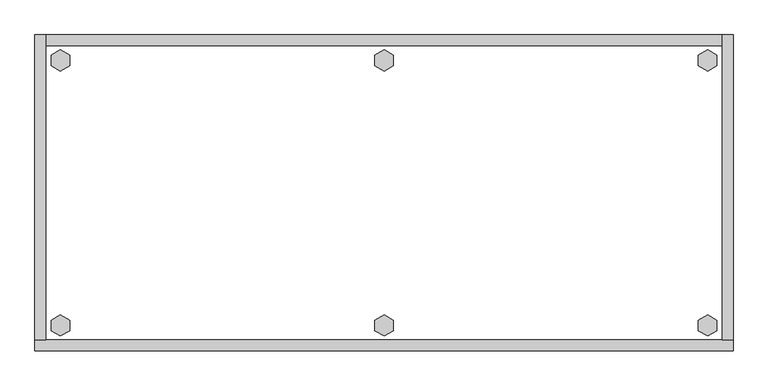
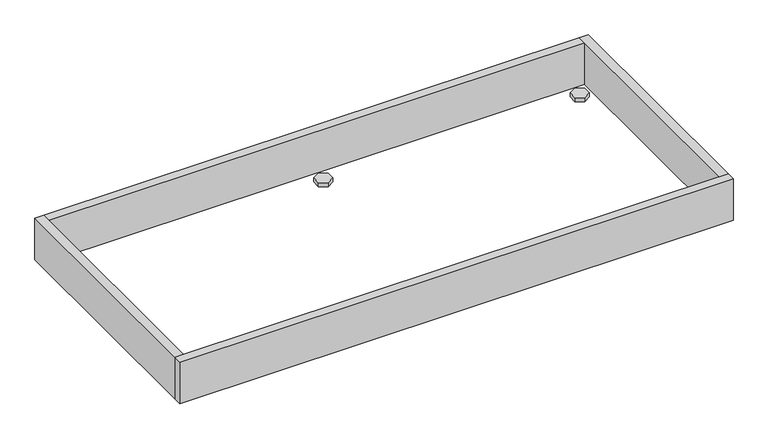
"""IFC4 building model written with IfcOpenShell, lengths in millimetres: furniture geometry."""

import ifcopenshell
import ifcopenshell.guid

model = None  # the IFC model being written
_history = None  # IfcOwnerHistory: only IFC2X3 demands one
_inside = {}  # id of a spatial element -> (the spatial element, [elements in it])
_under = {}  # id of a project, library or spatial element -> (it, [spatial elements below it])
_declared = {}  # id of a project -> (the project, [libraries it declares])
_typed = {}  # id of a type object -> (the type object, [elements of that type])
_made_of = {}  # id of a material, layer set ... -> (it, [elements and type objects made of it])


def new_model(schema):
    """Start an empty IFC model of exactly this schema.

    Asked for "IFC4X3", IfcOpenShell would pick the latest addendum, in which some entities
    have other attributes; the version numbers below select the first issue.
    IFC2X3 requires an IfcOwnerHistory on every rooted entity: one is made here for all.
    """
    global model, _history
    if schema == "IFC4X3":
        model = ifcopenshell.file(schema_version=(4, 3, 0, 0))
    else:
        model = ifcopenshell.file(schema=schema)
    _inside.clear()
    _under.clear()
    _declared.clear()
    _typed.clear()
    _made_of.clear()
    _history = None
    if model.schema == "IFC2X3":
        org = make("IfcOrganization", Name="unknown")
        user = make(
            "IfcPersonAndOrganization",
            ThePerson=make("IfcPerson", FamilyName="unknown"),
            TheOrganization=org,
        )
        app = make(
            "IfcApplication",
            ApplicationDeveloper=org,
            Version="unknown",
            ApplicationFullName="unknown",
            ApplicationIdentifier="unknown",
        )
        _history = make(
            "IfcOwnerHistory",
            OwningUser=user,
            OwningApplication=app,
            ChangeAction="ADDED",
            CreationDate=0,
        )
    return model


def make(cls, **values):
    """One entity of the class cls with the attributes given. An attribute that is None is left unset."""
    return model.create_entity(
        cls, **{name: value for name, value in values.items() if value is not None}
    )


def rooted(cls, **values):
    """An entity with a GlobalId (a new one), such as an element, a storey or a relation."""
    return make(cls, GlobalId=ifcopenshell.guid.new(), OwnerHistory=_history, **values)


def si_unit(unit_type, name, prefix=None):
    """IfcSIUnit, for example si_unit("LENGTHUNIT", "METRE", prefix="MILLI")."""
    return make("IfcSIUnit", UnitType=unit_type, Prefix=prefix, Name=name)


def assignment(units):
    """IfcUnitAssignment: the units of a project."""
    return None if units is None else make("IfcUnitAssignment", Units=units)


def point(xyz):
    """IfcCartesianPoint."""
    return None if xyz is None else make("IfcCartesianPoint", Coordinates=xyz)


def direction(xyz):
    """IfcDirection."""
    return None if xyz is None else make("IfcDirection", DirectionRatios=xyz)


def frame(location, z_axis=None, x_axis=None):
    """IfcAxis2Placement3D, a coordinate frame: its origin and axes. An axis left out is left unset."""
    return make(
        "IfcAxis2Placement3D",
        Location=point(location),
        Axis=direction(z_axis),
        RefDirection=direction(x_axis),
    )


def origin():
    """The frame at (0, 0, 0) with its axes left unset."""
    return frame((0.0, 0.0, 0.0))


def origin_with_axes():
    """The frame at (0, 0, 0) with the z axis (0, 0, 1) and the x axis (1, 0, 0) written out."""
    return frame((0.0, 0.0, 0.0), z_axis=(0.0, 0.0, 1.0), x_axis=(1.0, 0.0, 0.0))


def place(relative_to, where):
    """IfcLocalPlacement: puts the frame where relative to a parent placement (None: the world)."""
    return make(
        "IfcLocalPlacement", PlacementRelTo=relative_to, RelativePlacement=where
    )


def context(
    kind, dimensions, precision=None, world=None, true_north=None, identifier=None
):
    """IfcGeometricRepresentationContext, for example the 3D "Model" context."""
    return make(
        "IfcGeometricRepresentationContext",
        ContextIdentifier=identifier,
        ContextType=kind,
        CoordinateSpaceDimension=dimensions,
        Precision=precision,
        WorldCoordinateSystem=world,
        TrueNorth=true_north,
    )


def project(units=None, contexts=None):
    """IfcProject with its units and contexts."""
    return rooted(
        "IfcProject",
        Name="project",
        RepresentationContexts=contexts,
        UnitsInContext=assignment(units),
    )


def spatial(cls, under=None, at=None, **own):
    """A site, building, storey or space (cls), placed at a placement, below another one or the project."""
    s = rooted(cls, ObjectPlacement=at, **own)
    if under is not None:
        _under.setdefault(under.id(), (under, []))[1].append(s)
    return s


def polyline(points):
    """IfcPolyline through the points."""
    return make("IfcPolyline", Points=[point(p) for p in points])


def outline(outer, holes=None, kind="AREA"):
    """IfcArbitraryClosedProfileDef: a profile drawn as a closed curve; with holes, ...WithVoids."""
    if holes is None:
        return make("IfcArbitraryClosedProfileDef", ProfileType=kind, OuterCurve=outer)
    return make(
        "IfcArbitraryProfileDefWithVoids",
        ProfileType=kind,
        OuterCurve=outer,
        InnerCurves=holes,
    )


def extrude(swept, where, along, depth):
    """IfcExtrudedAreaSolid: the profile swept, set in the frame where, extruded along a direction by depth."""
    return make(
        "IfcExtrudedAreaSolid",
        SweptArea=swept,
        Position=where,
        ExtrudedDirection=direction(along),
        Depth=depth,
    )


def shape(context_of_items, identifier, shape_type, items):
    """IfcShapeRepresentation: the items that make up one representation, for example the "Body"."""
    return make(
        "IfcShapeRepresentation",
        ContextOfItems=context_of_items,
        RepresentationIdentifier=identifier,
        RepresentationType=shape_type,
        Items=items,
    )


def source(mapping_origin, context_of_items, identifier, shape_type, items):
    """IfcRepresentationMap: a shape defined once, which mapped items show again and again."""
    return make(
        "IfcRepresentationMap",
        MappingOrigin=mapping_origin,
        MappedRepresentation=shape(context_of_items, identifier, shape_type, items),
    )


def transform(
    local_origin,
    x_axis=None,
    y_axis=None,
    z_axis=None,
    scale=None,
    scale2=None,
    scale3=None,
    uniform=True,
):
    """IfcCartesianTransformationOperator3D, or its non-uniform kind. x_axis, y_axis, z_axis: its Axis1, 2, 3."""
    if uniform:
        return make(
            "IfcCartesianTransformationOperator3D",
            Axis1=direction(x_axis),
            Axis2=direction(y_axis),
            LocalOrigin=point(local_origin),
            Scale=scale,
            Axis3=direction(z_axis),
        )
    return make(
        "IfcCartesianTransformationOperator3DnonUniform",
        Axis1=direction(x_axis),
        Axis2=direction(y_axis),
        LocalOrigin=point(local_origin),
        Scale=scale,
        Axis3=direction(z_axis),
        Scale2=scale2,
        Scale3=scale3,
    )


def mapped(mapping_source, mapping_target):
    """IfcMappedItem: shows the shape of a source again, moved by a transform."""
    return make(
        "IfcMappedItem", MappingSource=mapping_source, MappingTarget=mapping_target
    )


def made_of(thing, what):
    """Note that an element or type object is made of a material, layer set ...; save() writes the relation."""
    if what is not None:
        _made_of.setdefault(what.id(), (what, []))[1].append(thing)
    return thing


def element(
    cls,
    number,
    at=None,
    inside=None,
    cuts=None,
    type_object=None,
    material=None,
    context=None,
    identifier="Body",
    shape_type=None,
    held_by="IfcProductDefinitionShape",
    body=None,
    shapes=None,
    **own,
):
    """One element of the class cls, such as IfcWall. Its Tag is "e" and its number.

    at: its placement. inside: the storey or other place that contains it. cuts: it is an
    opening in that element (IfcRelVoidsElement). A single representation is given by context,
    identifier, shape_type and body (its items); several are given by shapes. held_by: the class
    of the entity that holds the representations. save() writes the other relations.
    """
    e = rooted(cls, Tag="e%d" % number, ObjectPlacement=at, **own)
    if body is not None:
        shapes = [shape(context, identifier, shape_type, body)]
    if shapes is not None:
        e.Representation = make(held_by, Representations=shapes)
    if inside is not None:
        _inside.setdefault(inside.id(), (inside, []))[1].append(e)
    if cuts is not None:
        rooted(
            "IfcRelVoidsElement", RelatingBuildingElement=cuts, RelatedOpeningElement=e
        )
    if type_object is not None:
        _typed.setdefault(type_object.id(), (type_object, []))[1].append(e)
    return made_of(e, material)


def aggregate(whole, parts):
    """IfcRelAggregates: a whole, such as a stair, and the parts it consists of."""
    return rooted("IfcRelAggregates", RelatingObject=whole, RelatedObjects=parts)


def save(model, path):
    """Write the relations noted so far, then the file.

    IfcRelAggregates (storeys below a building ...), IfcRelContainedInSpatialStructure (elements
    in a storey), IfcRelDefinesByType, IfcRelAssociatesMaterial and IfcRelDeclares: one each for
    every whole, place, type object, material and project.
    """
    for whole, parts in _under.values():
        aggregate(whole, parts)
    for where, things in _inside.values():
        rooted(
            "IfcRelContainedInSpatialStructure",
            RelatedElements=things,
            RelatingStructure=where,
        )
    for kind, things in _typed.values():
        rooted("IfcRelDefinesByType", RelatedObjects=things, RelatingType=kind)
    for what, things in _made_of.values():
        rooted("IfcRelAssociatesMaterial", RelatedObjects=things, RelatingMaterial=what)
    for by, libraries in _declared.values():
        rooted("IfcRelDeclares", RelatingContext=by, RelatedDefinitions=libraries)
    model.write(path)


def furniture_ceff2c2c(model_context):
    return source(origin(), model_context, "Body", "SweptSolid", [
        extrude(outline(polyline([(1158.5735422, -498.8179), (1174.5214, -489.6104), (1190.4692578, -498.8179), (1190.4692578, -517.2329), (1174.5214, -526.4404), (1158.5735422, -517.2329), (1158.5735422, -498.8179)])), origin_with_axes(), (0.0, 0.0, 1.0), 9.144),
        extrude(outline(polyline([(1158.5735422, -35.4711), (1174.5214, -26.2636), (1190.4692578, -35.4711), (1190.4692578, -53.8861), (1174.5214, -63.0936), (1158.5735422, -53.8861), (1158.5735422, -35.4711)])), origin_with_axes(), (0.0, 0.0, 1.0), 9.144),
        extrude(outline(polyline([(593.6521422, -498.8179), (609.6, -489.6104), (625.5478578, -498.8179), (625.5478578, -517.2329), (609.6, -526.4404), (593.6521422, -517.2329), (593.6521422, -498.8179)])), origin_with_axes(), (0.0, 0.0, 1.0), 9.144),
        extrude(outline(polyline([(593.6521422, -35.4711), (609.6, -26.2636), (625.5478578, -35.4711), (625.5478578, -53.8861), (609.6, -63.0936), (593.6521422, -53.8861), (593.6521422, -35.4711)])), origin_with_axes(), (0.0, 0.0, 1.0), 9.144),
        extrude(outline(polyline([(28.7307422, -498.8179), (44.6786, -489.6104), (60.6264578, -498.8179), (60.6264578, -517.2329), (44.6786, -526.4404), (28.7307422, -517.2329), (28.7307422, -498.8179)])), origin_with_axes(), (0.0, 0.0, 1.0), 9.144),
        extrude(outline(polyline([(28.7307422, -35.4711), (44.6786, -26.2636), (60.6264578, -35.4711), (60.6264578, -53.8861), (44.6786, -63.0936), (28.7307422, -53.8861), (28.7307422, -35.4711)])), origin_with_axes(), (0.0, 0.0, 1.0), 9.144),
        extrude(outline(polyline([(19.304, 0.0), (19.304, -533.4), (0.0, -533.4), (0.0, 0.0), (19.304, 0.0)])), frame((0.0, 0.0, 4.699), z_axis=(0.0, 0.0, 1.0), x_axis=(1.0, 0.0, 0.0)), (0.0, 0.0, 1.0), 96.901),
        extrude(outline(polyline([(1219.2, 0.0), (1219.2, -533.4), (1199.896, -533.4), (1199.896, 0.0), (1219.2, 0.0)])), frame((0.0, 0.0, 4.699), z_axis=(0.0, 0.0, 1.0), x_axis=(1.0, 0.0, 0.0)), (0.0, 0.0, 1.0), 96.901),
        extrude(outline(polyline([(1199.896, -19.304), (19.304, -19.304), (19.304, 0.0), (1199.896, 0.0), (1199.896, -19.304)])), frame((0.0, 0.0, 4.699), z_axis=(0.0, 0.0, 1.0), x_axis=(1.0, 0.0, 0.0)), (0.0, 0.0, 1.0), 96.901),
        extrude(outline(polyline([(1219.2, -533.4), (1219.2, -552.704), (0.0, -552.704), (0.0, -533.4), (1219.2, -533.4)])), frame((0.0, 0.0, 4.699), z_axis=(0.0, 0.0, 1.0), x_axis=(1.0, 0.0, 0.0)), (0.0, 0.0, 1.0), 96.901),
    ])


if __name__ == "__main__":
    model = new_model("IFC4")
    model_context = context("Model", 3, world=origin())
    ifc_project = project(units=[si_unit("LENGTHUNIT", "METRE", prefix="MILLI")], contexts=[model_context])
    site = spatial("IfcSite", under=ifc_project)
    building = spatial("IfcBuilding", under=site)
    placement = place(None, origin())
    furniture_shape = furniture_ceff2c2c(model_context)
    element("IfcFurniture", 1, at=placement, inside=building, context=model_context, shape_type="MappedRepresentation", body=[
        mapped(furniture_shape, transform((0.0, 0.0, 0.0), x_axis=(1.0, 0.0, 0.0), y_axis=(0.0, 1.0, 0.0), z_axis=(0.0, 0.0, 1.0))),
    ])
    save(model, "model.ifc")
